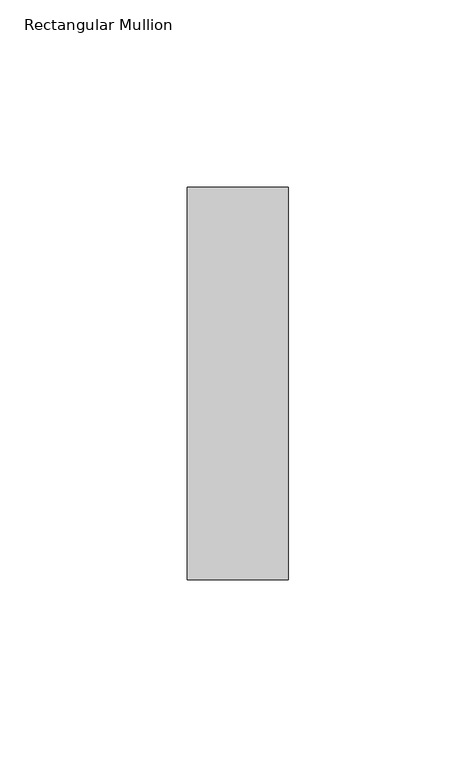
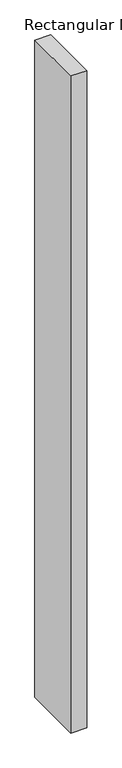
"""IFC4 building model written with IfcOpenShell, lengths in millimetres: member geometry, Rectangular Mullion."""

from ifc_helpers import new_model, si_unit, frame, origin, place, context, project, spatial, polyline, outline, extrude, source, transform, mapped, element, save


def rectangular_mullion_0feaec8c(model_context):
    return source(origin(), model_context, "Body", "SweptSolid", [
        extrude(outline(polyline([(0.0, 52.3975), (0.0, -52.3975), (-27.0, -52.3975), (-27.0, 52.3975), (0.0, 52.3975)])), frame((0.0, 0.0, -1173.0), z_axis=(0.0, 0.0, 1.0), x_axis=(1.0, 0.0, 0.0)), (0.0, 0.0, 1.0), 1173.0),
    ])


if __name__ == "__main__":
    model = new_model("IFC4")
    model_context = context("Model", 3, world=origin())
    ifc_project = project(units=[si_unit("LENGTHUNIT", "METRE", prefix="MILLI")], contexts=[model_context])
    site = spatial("IfcSite", under=ifc_project)
    building = spatial("IfcBuilding", under=site)
    placement = place(None, origin())
    rectangular_mullion_shape = rectangular_mullion_0feaec8c(model_context)
    element("IfcMember", 1, ObjectType="Rectangular Mullion", at=placement, inside=building, context=model_context, shape_type="MappedRepresentation", body=[
        mapped(rectangular_mullion_shape, transform((0.0, 0.0, 0.0), x_axis=(1.0, 0.0, 0.0), y_axis=(0.0, 1.0, 0.0), z_axis=(0.0, 0.0, 1.0))),
    ])
    save(model, "model.ifc")
